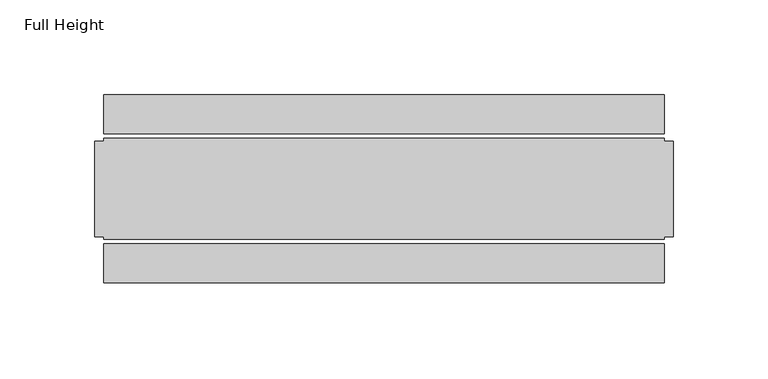
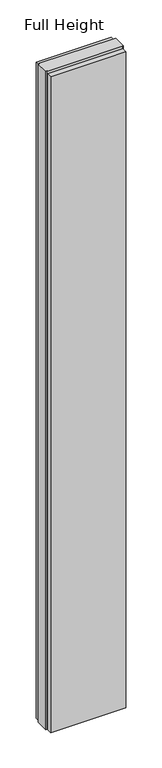
"""IFC4 building model written with IfcOpenShell, lengths in millimetres: plate geometry, Full Height."""

from ifc_helpers import new_model, si_unit, origin, origin_with_axes, place, context, project, spatial, polyline, outline, extrude, source, transform, mapped, element, save


def full_height_08854f12(model_context):
    return source(origin(), model_context, "Body", "SweptSolid", [
        extrude(outline(polyline([(147.828, 28.956), (-147.828, 28.956), (-147.828, 49.53), (147.828, 49.53), (147.828, 28.956)])), origin_with_axes(), (0.0, 0.0, 1.0), 2734.056),
        extrude(outline(polyline([(147.828, -28.956), (147.828, -49.53), (-147.828, -49.53), (-147.828, -28.956), (147.828, -28.956)])), origin_with_axes(), (0.0, 0.0, 1.0), 2734.056),
        extrude(outline(polyline([(147.828, -25.146), (147.828, -26.67), (-147.828, -26.67), (-147.828, -25.146), (-152.4, -25.146), (-152.4, 25.146), (-147.828, 25.146), (-147.828, 26.67), (147.828, 26.67), (147.828, 25.146), (152.4, 25.146), (152.4, -25.146), (147.828, -25.146)])), origin_with_axes(), (0.0, 0.0, 1.0), 2743.2),
    ])


if __name__ == "__main__":
    model = new_model("IFC4")
    model_context = context("Model", 3, world=origin())
    ifc_project = project(units=[si_unit("LENGTHUNIT", "METRE", prefix="MILLI")], contexts=[model_context])
    site = spatial("IfcSite", under=ifc_project)
    building = spatial("IfcBuilding", under=site)
    placement = place(None, origin())
    full_height_shape = full_height_08854f12(model_context)
    element("IfcPlate", 1, ObjectType="Full Height", at=placement, inside=building, context=model_context, shape_type="MappedRepresentation", body=[
        mapped(full_height_shape, transform((0.0, 0.0, 0.0), x_axis=(1.0, 0.0, 0.0), y_axis=(0.0, 1.0, 0.0), z_axis=(0.0, 0.0, 1.0))),
    ])
    save(model, "model.ifc")
